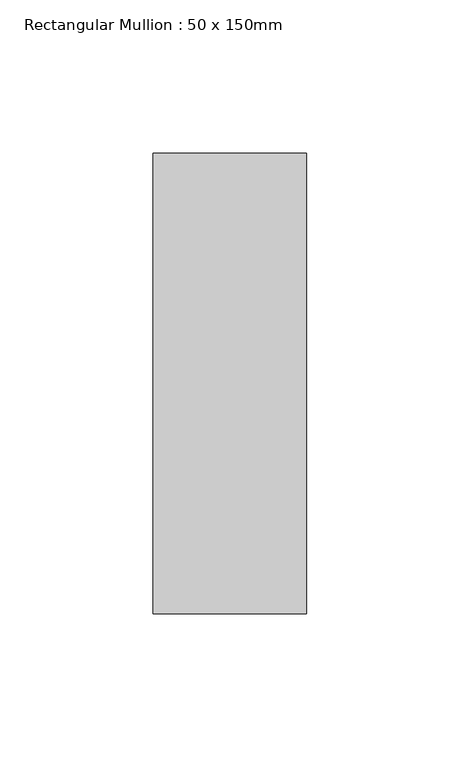
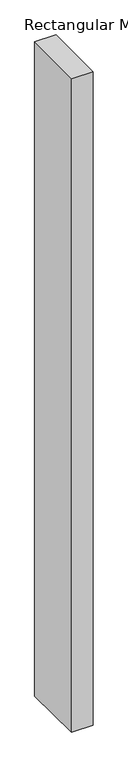
"""IFC4 building model written with IfcOpenShell, lengths in millimetres: member geometry, Rectangular Mullion : 50 x 150mm."""

import ifcopenshell
import ifcopenshell.guid

model = None  # the IFC model being written
_history = None  # IfcOwnerHistory: only IFC2X3 demands one
_inside = {}  # id of a spatial element -> (the spatial element, [elements in it])
_under = {}  # id of a project, library or spatial element -> (it, [spatial elements below it])
_declared = {}  # id of a project -> (the project, [libraries it declares])
_typed = {}  # id of a type object -> (the type object, [elements of that type])
_made_of = {}  # id of a material, layer set ... -> (it, [elements and type objects made of it])


def new_model(schema):
    """Start an empty IFC model of exactly this schema.

    Asked for "IFC4X3", IfcOpenShell would pick the latest addendum, in which some entities
    have other attributes; the version numbers below select the first issue.
    IFC2X3 requires an IfcOwnerHistory on every rooted entity: one is made here for all.
    """
    global model, _history
    if schema == "IFC4X3":
        model = ifcopenshell.file(schema_version=(4, 3, 0, 0))
    else:
        model = ifcopenshell.file(schema=schema)
    _inside.clear()
    _under.clear()
    _declared.clear()
    _typed.clear()
    _made_of.clear()
    _history = None
    if model.schema == "IFC2X3":
        org = make("IfcOrganization", Name="unknown")
        user = make(
            "IfcPersonAndOrganization",
            ThePerson=make("IfcPerson", FamilyName="unknown"),
            TheOrganization=org,
        )
        app = make(
            "IfcApplication",
            ApplicationDeveloper=org,
            Version="unknown",
            ApplicationFullName="unknown",
            ApplicationIdentifier="unknown",
        )
        _history = make(
            "IfcOwnerHistory",
            OwningUser=user,
            OwningApplication=app,
            ChangeAction="ADDED",
            CreationDate=0,
        )
    return model


def make(cls, **values):
    """One entity of the class cls with the attributes given. An attribute that is None is left unset."""
    return model.create_entity(
        cls, **{name: value for name, value in values.items() if value is not None}
    )


def rooted(cls, **values):
    """An entity with a GlobalId (a new one), such as an element, a storey or a relation."""
    return make(cls, GlobalId=ifcopenshell.guid.new(), OwnerHistory=_history, **values)


def si_unit(unit_type, name, prefix=None):
    """IfcSIUnit, for example si_unit("LENGTHUNIT", "METRE", prefix="MILLI")."""
    return make("IfcSIUnit", UnitType=unit_type, Prefix=prefix, Name=name)


def assignment(units):
    """IfcUnitAssignment: the units of a project."""
    return None if units is None else make("IfcUnitAssignment", Units=units)


def point(xyz):
    """IfcCartesianPoint."""
    return None if xyz is None else make("IfcCartesianPoint", Coordinates=xyz)


def direction(xyz):
    """IfcDirection."""
    return None if xyz is None else make("IfcDirection", DirectionRatios=xyz)


def frame(location, z_axis=None, x_axis=None):
    """IfcAxis2Placement3D, a coordinate frame: its origin and axes. An axis left out is left unset."""
    return make(
        "IfcAxis2Placement3D",
        Location=point(location),
        Axis=direction(z_axis),
        RefDirection=direction(x_axis),
    )


def origin():
    """The frame at (0, 0, 0) with its axes left unset."""
    return frame((0.0, 0.0, 0.0))


def place(relative_to, where):
    """IfcLocalPlacement: puts the frame where relative to a parent placement (None: the world)."""
    return make(
        "IfcLocalPlacement", PlacementRelTo=relative_to, RelativePlacement=where
    )


def context(
    kind, dimensions, precision=None, world=None, true_north=None, identifier=None
):
    """IfcGeometricRepresentationContext, for example the 3D "Model" context."""
    return make(
        "IfcGeometricRepresentationContext",
        ContextIdentifier=identifier,
        ContextType=kind,
        CoordinateSpaceDimension=dimensions,
        Precision=precision,
        WorldCoordinateSystem=world,
        TrueNorth=true_north,
    )


def project(units=None, contexts=None):
    """IfcProject with its units and contexts."""
    return rooted(
        "IfcProject",
        Name="project",
        RepresentationContexts=contexts,
        UnitsInContext=assignment(units),
    )


def spatial(cls, under=None, at=None, **own):
    """A site, building, storey or space (cls), placed at a placement, below another one or the project."""
    s = rooted(cls, ObjectPlacement=at, **own)
    if under is not None:
        _under.setdefault(under.id(), (under, []))[1].append(s)
    return s


def polyline(points):
    """IfcPolyline through the points."""
    return make("IfcPolyline", Points=[point(p) for p in points])


def outline(outer, holes=None, kind="AREA"):
    """IfcArbitraryClosedProfileDef: a profile drawn as a closed curve; with holes, ...WithVoids."""
    if holes is None:
        return make("IfcArbitraryClosedProfileDef", ProfileType=kind, OuterCurve=outer)
    return make(
        "IfcArbitraryProfileDefWithVoids",
        ProfileType=kind,
        OuterCurve=outer,
        InnerCurves=holes,
    )


def extrude(swept, where, along, depth):
    """IfcExtrudedAreaSolid: the profile swept, set in the frame where, extruded along a direction by depth."""
    return make(
        "IfcExtrudedAreaSolid",
        SweptArea=swept,
        Position=where,
        ExtrudedDirection=direction(along),
        Depth=depth,
    )


def shape(context_of_items, identifier, shape_type, items):
    """IfcShapeRepresentation: the items that make up one representation, for example the "Body"."""
    return make(
        "IfcShapeRepresentation",
        ContextOfItems=context_of_items,
        RepresentationIdentifier=identifier,
        RepresentationType=shape_type,
        Items=items,
    )


def source(mapping_origin, context_of_items, identifier, shape_type, items):
    """IfcRepresentationMap: a shape defined once, which mapped items show again and again."""
    return make(
        "IfcRepresentationMap",
        MappingOrigin=mapping_origin,
        MappedRepresentation=shape(context_of_items, identifier, shape_type, items),
    )


def transform(
    local_origin,
    x_axis=None,
    y_axis=None,
    z_axis=None,
    scale=None,
    scale2=None,
    scale3=None,
    uniform=True,
):
    """IfcCartesianTransformationOperator3D, or its non-uniform kind. x_axis, y_axis, z_axis: its Axis1, 2, 3."""
    if uniform:
        return make(
            "IfcCartesianTransformationOperator3D",
            Axis1=direction(x_axis),
            Axis2=direction(y_axis),
            LocalOrigin=point(local_origin),
            Scale=scale,
            Axis3=direction(z_axis),
        )
    return make(
        "IfcCartesianTransformationOperator3DnonUniform",
        Axis1=direction(x_axis),
        Axis2=direction(y_axis),
        LocalOrigin=point(local_origin),
        Scale=scale,
        Axis3=direction(z_axis),
        Scale2=scale2,
        Scale3=scale3,
    )


def mapped(mapping_source, mapping_target):
    """IfcMappedItem: shows the shape of a source again, moved by a transform."""
    return make(
        "IfcMappedItem", MappingSource=mapping_source, MappingTarget=mapping_target
    )


def made_of(thing, what):
    """Note that an element or type object is made of a material, layer set ...; save() writes the relation."""
    if what is not None:
        _made_of.setdefault(what.id(), (what, []))[1].append(thing)
    return thing


def element(
    cls,
    number,
    at=None,
    inside=None,
    cuts=None,
    type_object=None,
    material=None,
    context=None,
    identifier="Body",
    shape_type=None,
    held_by="IfcProductDefinitionShape",
    body=None,
    shapes=None,
    **own,
):
    """One element of the class cls, such as IfcWall. Its Tag is "e" and its number.

    at: its placement. inside: the storey or other place that contains it. cuts: it is an
    opening in that element (IfcRelVoidsElement). A single representation is given by context,
    identifier, shape_type and body (its items); several are given by shapes. held_by: the class
    of the entity that holds the representations. save() writes the other relations.
    """
    e = rooted(cls, Tag="e%d" % number, ObjectPlacement=at, **own)
    if body is not None:
        shapes = [shape(context, identifier, shape_type, body)]
    if shapes is not None:
        e.Representation = make(held_by, Representations=shapes)
    if inside is not None:
        _inside.setdefault(inside.id(), (inside, []))[1].append(e)
    if cuts is not None:
        rooted(
            "IfcRelVoidsElement", RelatingBuildingElement=cuts, RelatedOpeningElement=e
        )
    if type_object is not None:
        _typed.setdefault(type_object.id(), (type_object, []))[1].append(e)
    return made_of(e, material)


def aggregate(whole, parts):
    """IfcRelAggregates: a whole, such as a stair, and the parts it consists of."""
    return rooted("IfcRelAggregates", RelatingObject=whole, RelatedObjects=parts)


def save(model, path):
    """Write the relations noted so far, then the file.

    IfcRelAggregates (storeys below a building ...), IfcRelContainedInSpatialStructure (elements
    in a storey), IfcRelDefinesByType, IfcRelAssociatesMaterial and IfcRelDeclares: one each for
    every whole, place, type object, material and project.
    """
    for whole, parts in _under.values():
        aggregate(whole, parts)
    for where, things in _inside.values():
        rooted(
            "IfcRelContainedInSpatialStructure",
            RelatedElements=things,
            RelatingStructure=where,
        )
    for kind, things in _typed.values():
        rooted("IfcRelDefinesByType", RelatedObjects=things, RelatingType=kind)
    for what, things in _made_of.values():
        rooted("IfcRelAssociatesMaterial", RelatedObjects=things, RelatingMaterial=what)
    for by, libraries in _declared.values():
        rooted("IfcRelDeclares", RelatingContext=by, RelatedDefinitions=libraries)
    model.write(path)


def rectangular_mullion_50_x_150mm_d96f10ea(model_context):
    return source(origin(), model_context, "Body", "SweptSolid", [
        extrude(outline(polyline([(-75.0, 0.0), (75.0, 0.0), (75.0, -1619.3722554), (-75.0, -1617.2099936), (-75.0, 0.0)])), frame((-50.0, 0.0, 0.0), z_axis=(1.0, 0.0, 0.0), x_axis=(0.0, 1.0, 0.0)), (0.0, 0.0, 1.0), 50.0),
    ])


if __name__ == "__main__":
    model = new_model("IFC4")
    model_context = context("Model", 3, world=origin())
    ifc_project = project(units=[si_unit("LENGTHUNIT", "METRE", prefix="MILLI")], contexts=[model_context])
    site = spatial("IfcSite", under=ifc_project)
    building = spatial("IfcBuilding", under=site)
    placement = place(None, origin())
    rectangular_mullion_50_x_150mm_shape = rectangular_mullion_50_x_150mm_d96f10ea(model_context)
    element("IfcMember", 1, ObjectType="Rectangular Mullion : 50 x 150mm", at=placement, inside=building, context=model_context, shape_type="MappedRepresentation", body=[
        mapped(rectangular_mullion_50_x_150mm_shape, transform((0.0, 0.0, 0.0), x_axis=(1.0, 0.0, 0.0), y_axis=(0.0, 1.0, 0.0), z_axis=(0.0, 0.0, 1.0))),
    ])
    save(model, "model.ifc")
